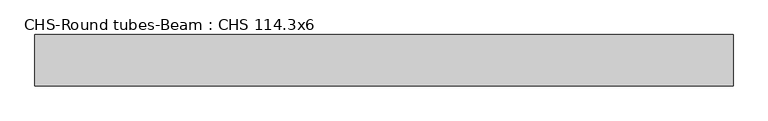
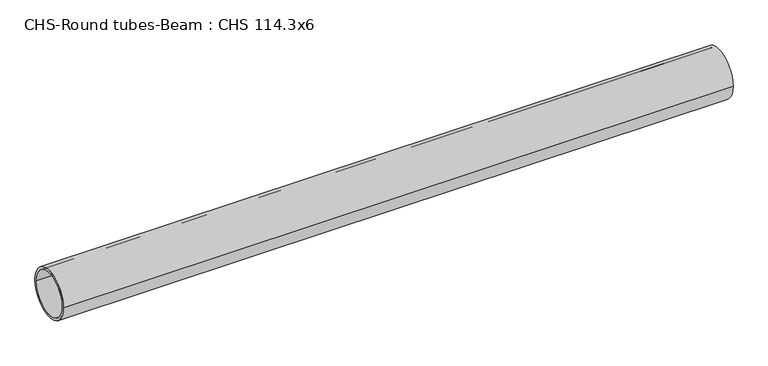
"""IFC4 building model written with IfcOpenShell, lengths in millimetres: beam geometry, CHS-Round tubes-Beam : CHS 114.3x6."""

from ifc_helpers import new_model, si_unit, point, frame, origin, origin_2d, place, context, project, spatial, circle_curve, trimmed, segment, composite_curve, outline, extrude, source, transform, mapped, element, save


def chs_round_tubes_beam_chs_114_3x6_0dbb60b0(model_context):
    return source(origin(), model_context, "Body", "SweptSolid", [
        extrude(outline(composite_curve([segment(trimmed(circle_curve(origin_2d(), 57.15), [point((57.15, 0.0))], [point((-57.15, 0.0))], False, "CARTESIAN"), True, "CONTINUOUS"), segment(trimmed(circle_curve(origin_2d(), 57.15), [point((-57.15, 0.0))], [point((57.15, 0.0))], False, "CARTESIAN"), True, "CONTINUOUS")], self_intersect=False), holes=[composite_curve([segment(trimmed(circle_curve(origin_2d(), 51.15), [point((51.15, 0.0))], [point((-51.15, 0.0))], True, "CARTESIAN"), True, "CONTINUOUS"), segment(trimmed(circle_curve(origin_2d(), 51.15), [point((-51.15, 0.0))], [point((51.15, 0.0))], True, "CARTESIAN"), True, "CONTINUOUS")], self_intersect=False)]), frame((-789.7901887, 0.0, 0.0), z_axis=(1.0, 0.0, 0.0), x_axis=(0.0, 1.0, 0.0)), (0.0, 0.0, 1.0), 1554.8621143),
    ])


if __name__ == "__main__":
    model = new_model("IFC4")
    model_context = context("Model", 3, world=origin())
    ifc_project = project(units=[si_unit("LENGTHUNIT", "METRE", prefix="MILLI")], contexts=[model_context])
    site = spatial("IfcSite", under=ifc_project)
    building = spatial("IfcBuilding", under=site)
    placement = place(None, origin())
    chs_round_tubes_beam_chs_114_3x6_shape = chs_round_tubes_beam_chs_114_3x6_0dbb60b0(model_context)
    element("IfcBeam", 1, ObjectType="CHS-Round tubes-Beam : CHS 114.3x6", at=placement, inside=building, context=model_context, shape_type="MappedRepresentation", body=[
        mapped(chs_round_tubes_beam_chs_114_3x6_shape, transform((0.0, 0.0, 0.0), x_axis=(1.0, 0.0, 0.0), y_axis=(0.0, 1.0, 0.0), z_axis=(0.0, 0.0, 1.0))),
    ])
    save(model, "model.ifc")
